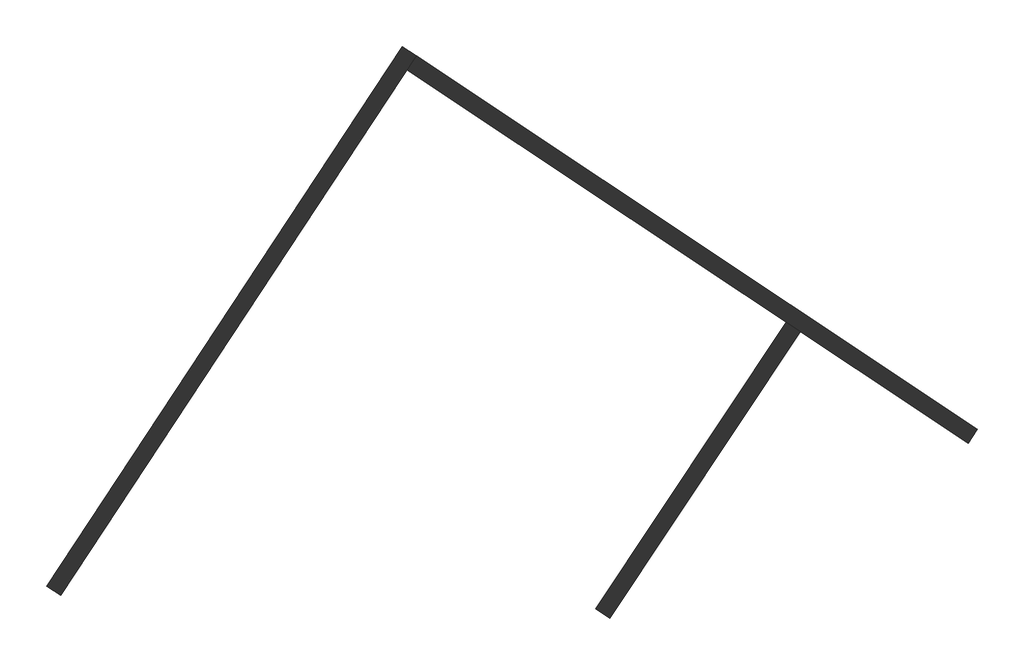
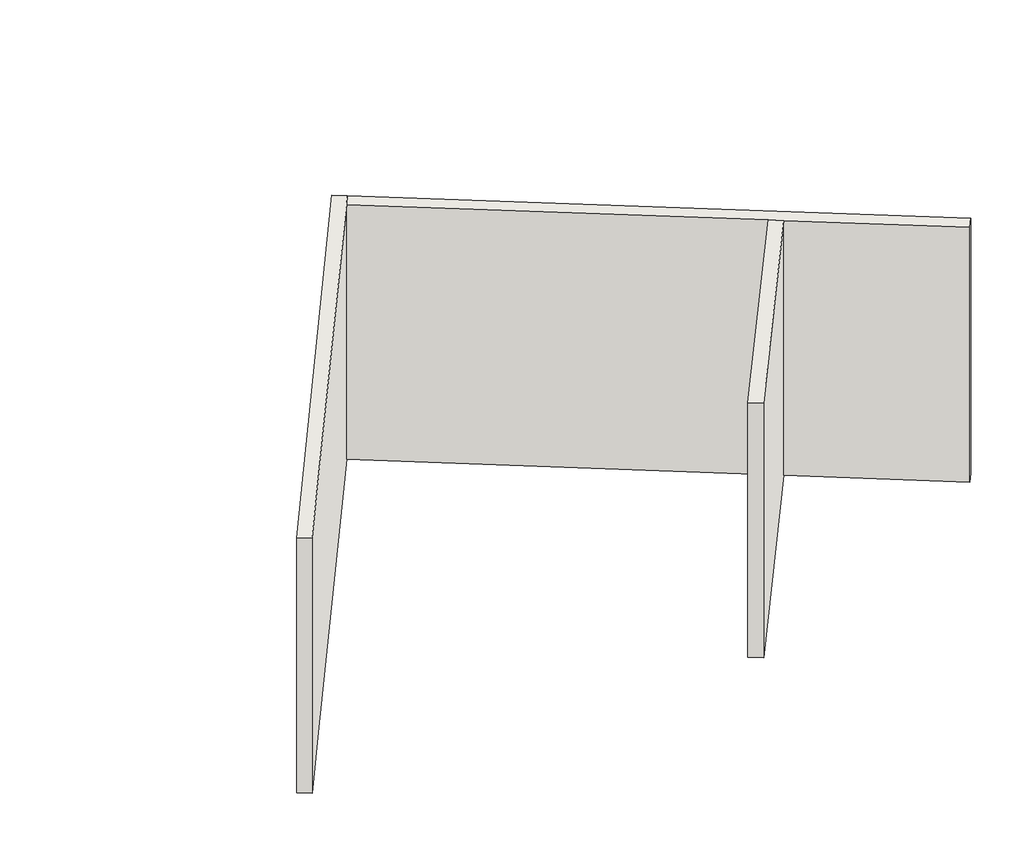
# One storey, part 13 of 18: 3 walls.
"""IFC4 building model written with IfcOpenShell, lengths in millimetres."""

from ifc_helpers import new_model, si_unit, frame, origin, place, context, project, spatial, polyline, outline, extrude, faceted_brep, element, save

model = new_model("IFC4")

# Units and contexts
model_context = context("Model", 3, world=origin())
ifc_project = project(units=[si_unit("LENGTHUNIT", "METRE", prefix="MILLI")], contexts=[model_context])

# Site, building, storey
site = spatial("IfcSite", under=ifc_project)
building = spatial("IfcBuilding", under=site)
storey = spatial("IfcBuildingStorey", under=building, Elevation=12680.0)

# Walls
placement = place(None, origin())
element("IfcWall", 1, ObjectType="Generic - 200mm", at=placement, inside=storey, context=model_context, shape_type="Brep", body=[
    faceted_brep([(-250675.364748, 55019.4817702, 12680.0), (-249796.4482443, 56352.8190286, 12680.0), (-249686.3735804, 56519.8049141, 12680.0), (-246549.2456578, 61278.9026508, 12680.0), (-246439.1709939, 61445.8885363, 12680.0), (-246439.1709939, 61445.8885363, 16680.0), (-246549.2456578, 61278.9026508, 16680.0), (-249686.3735804, 56519.8049141, 16680.0), (-249796.4482443, 56352.8190286, 16680.0), (-250675.364748, 55019.4817702, 16680.0), (-250843.0028149, 55128.5637999, 12680.0), (-250843.0028149, 55128.5637999, 16680.0), (-246605.6891579, 61556.6694853, 16680.0), (-246605.6891579, 61556.6694853, 12680.0)], [[[0, 1, 2, 3, 4, 5, 6, 7, 8, 9]], [[10, 11, 12, 13]], [[4, 3, 2, 1, 0, 10, 13]], [[9, 8, 7, 6, 5, 12, 11]], [[5, 4, 13, 12]], [[0, 9, 11, 10]]]),
])
element("IfcWall", 2, ObjectType="Generic - 200mm", at=placement, inside=storey, context=model_context, shape_type="Brep", body=[
    faceted_brep([(-246549.2456578, 61278.9026508, 12680.0), (-242026.1440824, 58269.7805664, 12680.0), (-241859.6274121, 58159.0006111, 12680.0), (-239861.4273677, 56829.6411478, 12680.0), (-239861.4273677, 56829.6411478, 16680.0), (-241859.6274121, 58159.0006111, 16680.0), (-242026.1440824, 58269.7805664, 16680.0), (-246549.2456578, 61278.9026508, 16680.0), (-246439.1709939, 61445.8885363, 12680.0), (-246439.1709939, 61445.8885363, 16680.0), (-239750.6474124, 56996.1578182, 16680.0), (-239750.6474124, 56996.1578182, 12680.0)], [[[0, 1, 2, 3, 4, 5, 6, 7]], [[8, 9, 10, 11]], [[3, 2, 1, 0, 8, 11]], [[7, 6, 5, 4, 10, 9]], [[0, 7, 9, 8]], [[4, 3, 11, 10]]]),
])
element("IfcWall", 3, ObjectType="Generic - 200mm", at=placement, inside=storey, context=model_context, shape_type="SweptSolid", body=[
    extrude(outline(polyline([(-241859.6274121, 58159.0006111), (-244130.6164952, 54745.4088686), (-244297.1331655, 54856.1888239), (-242026.1440824, 58269.7805664), (-241859.6274121, 58159.0006111)])), frame((0.0, 0.0, 12680.0), z_axis=(0.0, 0.0, 1.0), x_axis=(1.0, 0.0, 0.0)), (0.0, 0.0, 1.0), 4000.0),
])

save(model, "model.ifc")
